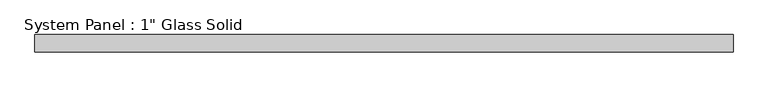
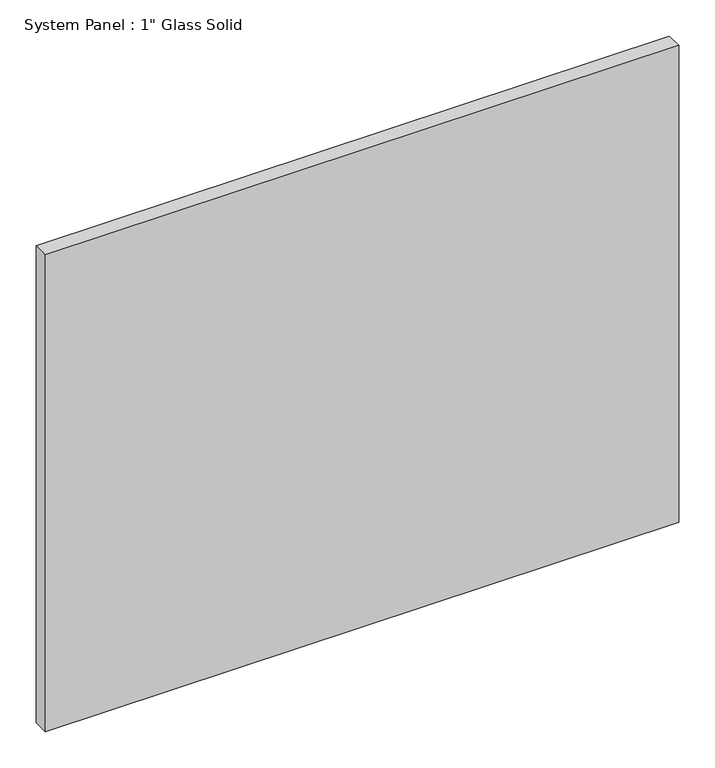
"""IFC4 building model written with IfcOpenShell, lengths in millimetres: plate geometry."""

from ifc_helpers import new_model, si_unit, origin, origin_with_axes, place, context, project, spatial, polyline, outline, extrude, source, transform, mapped, element, save


def plate_24784ba0(model_context):
    return source(origin(), model_context, "Body", "SweptSolid", [
        extrude(outline(polyline([(506.4125, -12.7), (-506.4125, -12.7), (-506.4125, 12.7), (506.4125, 12.7), (506.4125, -12.7)])), origin_with_axes(), (0.0, 0.0, 1.0), 806.45),
    ])


if __name__ == "__main__":
    model = new_model("IFC4")
    model_context = context("Model", 3, world=origin())
    ifc_project = project(units=[si_unit("LENGTHUNIT", "METRE", prefix="MILLI")], contexts=[model_context])
    site = spatial("IfcSite", under=ifc_project)
    building = spatial("IfcBuilding", under=site)
    placement = place(None, origin())
    plate_shape = plate_24784ba0(model_context)
    element("IfcPlate", 1, ObjectType="System Panel : 1\" Glass Solid", at=placement, inside=building, context=model_context, shape_type="MappedRepresentation", body=[
        mapped(plate_shape, transform((0.0, 0.0, 0.0), x_axis=(1.0, 0.0, 0.0), y_axis=(0.0, 1.0, 0.0), z_axis=(0.0, 0.0, 1.0))),
    ])
    save(model, "model.ifc")
